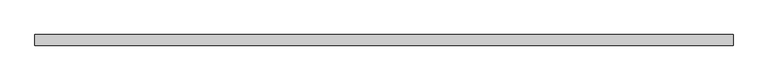
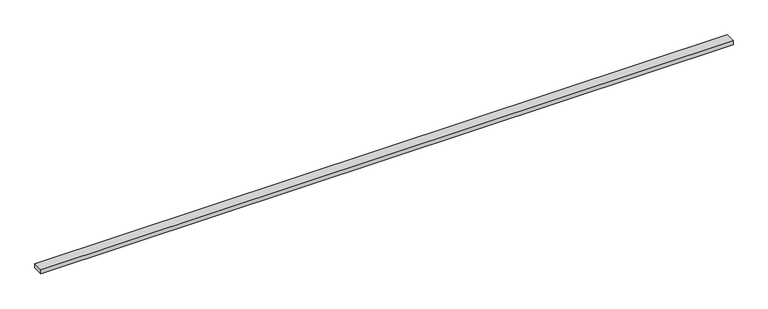
"""IFC4 building model written with IfcOpenShell, lengths in millimetres: beam geometry."""

from ifc_helpers import new_model, si_unit, frame, origin, place, context, project, spatial, polyline, outline, extrude, source, transform, mapped, element, save


def beam_c45eefbd(model_context):
    return source(origin(), model_context, "Body", "SweptSolid", [
        extrude(outline(polyline([(-1479.0, -22.5), (-1479.0, 22.5), (1479.0, 22.5), (1479.0, -22.5), (-1479.0, -22.5)])), frame((0.0, 0.0, -9.0), z_axis=(0.0, 0.0, 1.0), x_axis=(1.0, 0.0, 0.0)), (0.0, 0.0, 1.0), 18.0),
    ])


if __name__ == "__main__":
    model = new_model("IFC4")
    model_context = context("Model", 3, world=origin())
    ifc_project = project(units=[si_unit("LENGTHUNIT", "METRE", prefix="MILLI")], contexts=[model_context])
    site = spatial("IfcSite", under=ifc_project)
    building = spatial("IfcBuilding", under=site)
    placement = place(None, origin())
    beam_shape = beam_c45eefbd(model_context)
    element("IfcBeam", 1, at=placement, inside=building, context=model_context, shape_type="MappedRepresentation", body=[
        mapped(beam_shape, transform((0.0, 0.0, 0.0), x_axis=(1.0, 0.0, 0.0), y_axis=(0.0, 1.0, 0.0), z_axis=(0.0, 0.0, 1.0))),
    ])
    save(model, "model.ifc")
